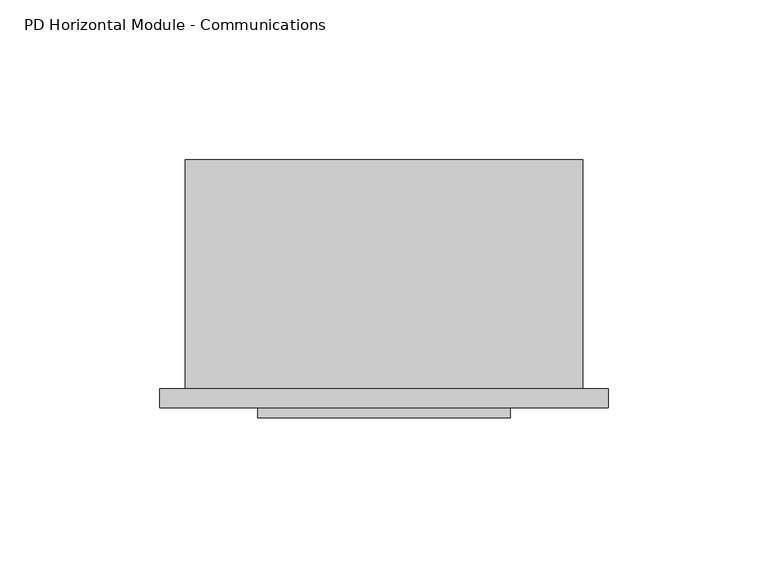
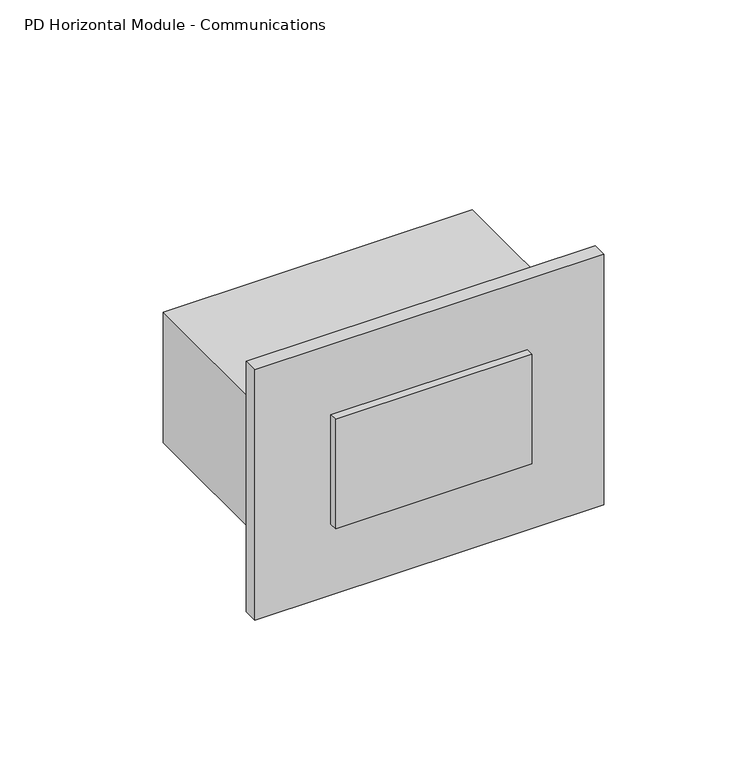
"""IFC4 building model written with IfcOpenShell, lengths in millimetres: proxy geometry, PD Horizontal Module - Communications."""

from ifc_helpers import new_model, si_unit, frame, origin, place, context, project, spatial, polyline, outline, extrude, source, transform, mapped, element, save


def pd_horizontal_module_communications_3bd114d5(model_context):
    return source(origin(), model_context, "Body", "SweptSolid", [
        extrude(outline(polyline([(22.7020438, -5.8928), (101.7468438, -5.8928), (101.7468438, -9.0678), (22.7020438, -9.0678), (22.7020438, -5.8928)])), frame((0.0, 0.0, 814.9336), z_axis=(0.0, 0.0, 1.0), x_axis=(1.0, 0.0, 0.0)), (0.0, 0.0, 1.0), 46.5328),
        extrude(outline(polyline([(-7.9502, 0.0), (132.4102, 0.0), (132.4102, -5.8928), (-7.9502, -5.8928), (-7.9502, 0.0)])), frame((0.0, 0.0, 784.9108), z_axis=(0.0, 0.0, 1.0), x_axis=(1.0, 0.0, 0.0)), (0.0, 0.0, 1.0), 106.5784),
        extrude(outline(polyline([(124.46, 0.0), (0.0, 0.0), (0.0, 71.7296), (124.46, 71.7296), (124.46, 0.0)])), frame((0.0, 0.0, 810.4251), z_axis=(0.0, 0.0, 1.0), x_axis=(1.0, 0.0, 0.0)), (0.0, 0.0, 1.0), 55.5625),
    ])


if __name__ == "__main__":
    model = new_model("IFC4")
    model_context = context("Model", 3, world=origin())
    ifc_project = project(units=[si_unit("LENGTHUNIT", "METRE", prefix="MILLI")], contexts=[model_context])
    site = spatial("IfcSite", under=ifc_project)
    building = spatial("IfcBuilding", under=site)
    placement = place(None, origin())
    pd_horizontal_module_communications_shape = pd_horizontal_module_communications_3bd114d5(model_context)
    element("IfcBuildingElementProxy", 1, Name="PD Horizontal Module - Communications", ObjectType="PD Horizontal Module - Communications", at=placement, inside=building, context=model_context, shape_type="MappedRepresentation", body=[
        mapped(pd_horizontal_module_communications_shape, transform((0.0, 0.0, 0.0), x_axis=(1.0, 0.0, 0.0), y_axis=(0.0, 1.0, 0.0), z_axis=(0.0, 0.0, 1.0))),
    ])
    save(model, "model.ifc")
